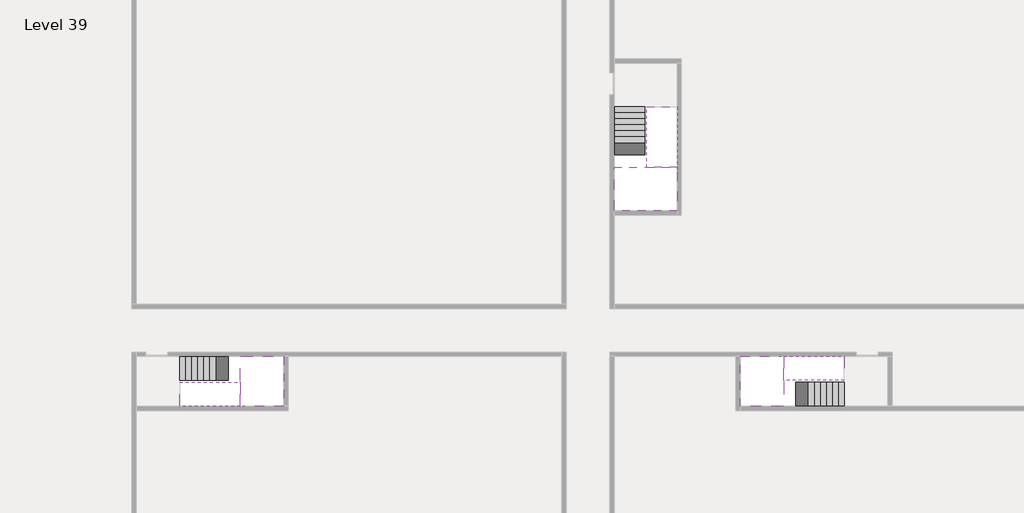
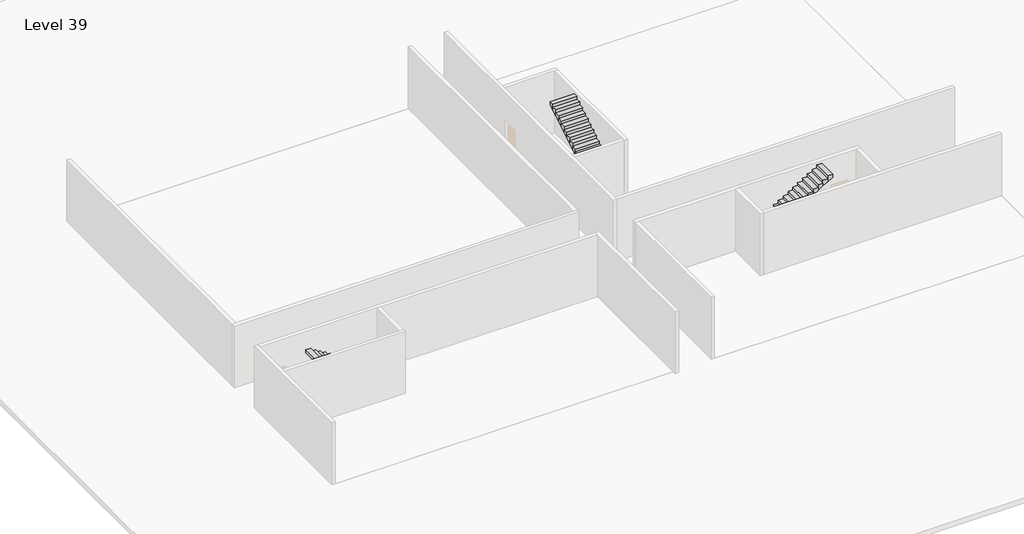
# One storey, part 2 of 2: 6 stair flights, 3 slabs.
"""IFC4 building model written with IfcOpenShell, lengths in millimetres."""

from ifc_helpers import new_model, si_unit, origin, place, context, project, spatial, faceted_brep, element, save

model = new_model("IFC4")

# Units and contexts
model_context = context("Model", 3, world=origin())
ifc_project = project(units=[si_unit("LENGTHUNIT", "METRE", prefix="MILLI")], contexts=[model_context])

# Site, building, storey
site = spatial("IfcSite", under=ifc_project)
building = spatial("IfcBuilding", under=site)
storey = spatial("IfcBuildingStorey", under=building, Name="Level 39", Elevation=144400.0)

# Slabs
placement = place(None, origin())
element("IfcSlab", 1, at=placement, inside=storey, context=model_context, shape_type="Brep", body=[
    faceted_brep([(8190.1058784, -42918.09644, 146300.0), (8190.1058784, -44018.09644, 146300.0), (8190.1058784, -44118.09644, 146300.0), (8190.1058784, -45218.09644, 146300.0), (8390.7194421, -45218.09644, 146300.0), (10190.1058784, -45218.09644, 146300.0), (10190.1058784, -42918.09644, 146300.0), (8269.4923146, -42918.09644, 146300.0), (8190.1058784, -42918.09644, 146127.2727273), (8190.1058784, -42918.09644, 145951.0278478), (8190.1058784, -44018.09644, 145951.0278478), (8190.1058784, -44018.09644, 146000.0), (8190.1058784, -44118.09644, 146000.0), (8190.1058784, -44118.09644, 146123.7551205), (8190.1058784, -45218.09644, 146123.7551205), (8390.7194421, -45218.09644, 146000.0), (10190.1058784, -45218.09644, 146000.0), (10190.1058784, -42918.09644, 146000.0), (8269.4923146, -42918.09644, 146000.0), (8390.7194421, -44118.09644, 146000.0), (8269.4923146, -44018.09644, 146000.0)], [[[0, 1, 2, 3, 4, 5, 6, 7]], [[1, 0, 8, 9, 10, 11]], [[2, 1, 11, 12, 13]], [[3, 2, 13, 14]], [[3, 14, 15, 16, 5, 4]], [[6, 5, 16, 17]], [[9, 8, 0, 7, 6, 17, 18]], [[19, 12, 11, 20, 18, 17, 16, 15]], [[12, 19, 13]], [[18, 20, 10, 9]], [[20, 11, 10]], [[19, 15, 14, 13]]]),
])
element("IfcSlab", 2, at=placement, inside=storey, context=model_context, shape_type="Brep", body=[
    faceted_brep([(33190.1058784, -45218.09644, 146300.0), (33190.1058784, -44118.09644, 146300.0), (33190.1058784, -44018.09644, 146300.0), (33190.1058784, -42918.09644, 146300.0), (32989.4923146, -42918.09644, 146300.0), (31190.1058784, -42918.09644, 146300.0), (31190.1058784, -45218.09644, 146300.0), (33110.7194421, -45218.09644, 146300.0), (33190.1058784, -45218.09644, 146127.2727273), (33190.1058784, -45218.09644, 145951.0278478), (33190.1058784, -44118.09644, 145951.0278478), (33190.1058784, -44118.09644, 146000.0), (33190.1058784, -44018.09644, 146000.0), (33190.1058784, -44018.09644, 146123.7551205), (33190.1058784, -42918.09644, 146123.7551205), (32989.4923146, -42918.09644, 146000.0), (31190.1058784, -42918.09644, 146000.0), (31190.1058784, -45218.09644, 146000.0), (33110.7194421, -45218.09644, 146000.0), (32989.4923146, -44018.09644, 146000.0), (33110.7194421, -44118.09644, 146000.0)], [[[0, 1, 2, 3, 4, 5, 6, 7]], [[1, 0, 8, 9, 10, 11]], [[2, 1, 11, 12, 13]], [[3, 2, 13, 14]], [[3, 14, 15, 16, 5, 4]], [[6, 5, 16, 17]], [[9, 8, 0, 7, 6, 17, 18]], [[19, 12, 11, 20, 18, 17, 16, 15]], [[12, 19, 13]], [[18, 20, 10, 9]], [[20, 11, 10]], [[19, 15, 14, 13]]]),
])
element("IfcSlab", 3, at=placement, inside=storey, context=model_context, shape_type="Brep", body=[
    faceted_brep([(26790.1058784, -34218.09644, 146300.0), (25390.1058784, -34218.09644, 146300.0), (25390.1058784, -34297.4828763, 146300.0), (25390.1058784, -36218.09644, 146300.0), (28290.1058784, -36218.09644, 146300.0), (28290.1058784, -34418.7100038, 146300.0), (28290.1058784, -34218.09644, 146300.0), (26890.1058784, -34218.09644, 146300.0), (26790.1058784, -34218.09644, 146000.0), (26790.1058784, -34218.09644, 145951.0278478), (25390.1058784, -34218.09644, 145951.0278478), (25390.1058784, -34218.09644, 146127.2727273), (25390.1058784, -34297.4828763, 146000.0), (25390.1058784, -36218.09644, 146000.0), (28290.1058784, -36218.09644, 146000.0), (28290.1058784, -34418.7100038, 146000.0), (28290.1058784, -34218.09644, 146123.7551205), (26890.1058784, -34218.09644, 146123.7551205), (26890.1058784, -34218.09644, 146000.0), (26890.1058784, -34418.7100038, 146000.0), (26790.1058784, -34297.4828763, 146000.0)], [[[0, 1, 2, 3, 4, 5, 6, 7]], [[1, 0, 8, 9, 10, 11]], [[1, 11, 10, 12, 13, 3, 2]], [[4, 3, 13, 14]], [[4, 14, 15, 16, 6, 5]], [[7, 6, 16, 17]], [[0, 7, 17, 18, 8]], [[18, 19, 15, 14, 13, 12, 20, 8]], [[19, 18, 17]], [[20, 12, 10, 9]], [[8, 20, 9]], [[15, 19, 17, 16]]]),
])

# Stair flights
element("IfcStairFlight", 4, at=placement, inside=storey, context=model_context, shape_type="Brep", body=[
    faceted_brep([(5670.1058784, -42918.09644, 144572.7272727), (5390.1058784, -42918.09644, 144572.7272727), (5390.1058784, -44018.09644, 144572.7272727), (5670.1058784, -44018.09644, 144572.7272727), (5670.1058784, -42918.09644, 144400.0), (5390.1058784, -42918.09644, 144400.0), (5390.1058784, -44018.09644, 144400.0), (5670.1058784, -44018.09644, 144400.0), (5950.1058784, -42918.09644, 144745.4545455), (5670.1058784, -42918.09644, 144745.4545455), (5670.1058784, -44018.09644, 144745.4545455), (5950.1058784, -44018.09644, 144745.4545455), (5950.1058784, -42918.09644, 144569.209666), (5675.8081041, -42918.09644, 144400.0), (5675.8081041, -44018.09644, 144400.0), (5950.1058784, -44018.09644, 144569.209666), (6230.1058784, -42918.09644, 144918.1818182), (5950.1058784, -42918.09644, 144918.1818182), (5950.1058784, -44018.09644, 144918.1818182), (6230.1058784, -44018.09644, 144918.1818182), (6230.1058784, -42918.09644, 144741.9369387), (6230.1058784, -44018.09644, 144741.9369387), (6510.1058784, -42918.09644, 145090.9090909), (6230.1058784, -42918.09644, 145090.9090909), (6230.1058784, -44018.09644, 145090.9090909), (6510.1058784, -44018.09644, 145090.9090909), (6510.1058784, -42918.09644, 144914.6642114), (6510.1058784, -44018.09644, 144914.6642114), (6790.1058784, -42918.09644, 145263.6363636), (6510.1058784, -42918.09644, 145263.6363636), (6510.1058784, -44018.09644, 145263.6363636), (6790.1058784, -44018.09644, 145263.6363636), (6790.1058784, -42918.09644, 145087.3914841), (6790.1058784, -44018.09644, 145087.3914841), (7070.1058784, -42918.09644, 145436.3636364), (6790.1058784, -42918.09644, 145436.3636364), (6790.1058784, -44018.09644, 145436.3636364), (7070.1058784, -44018.09644, 145436.3636364), (7070.1058784, -42918.09644, 145260.1187569), (7070.1058784, -44018.09644, 145260.1187569), (7350.1058784, -42918.09644, 145609.0909091), (7070.1058784, -42918.09644, 145609.0909091), (7070.1058784, -44018.09644, 145609.0909091), (7350.1058784, -44018.09644, 145609.0909091), (7350.1058784, -42918.09644, 145432.8460296), (7350.1058784, -44018.09644, 145432.8460296), (7630.1058784, -42918.09644, 145781.8181818), (7350.1058784, -42918.09644, 145781.8181818), (7350.1058784, -44018.09644, 145781.8181818), (7630.1058784, -44018.09644, 145781.8181818), (7630.1058784, -42918.09644, 145605.5733023), (7630.1058784, -44018.09644, 145605.5733023), (7910.1058784, -42918.09644, 145954.5454545), (7630.1058784, -42918.09644, 145954.5454545), (7630.1058784, -44018.09644, 145954.5454545), (7910.1058784, -44018.09644, 145954.5454545), (7910.1058784, -42918.09644, 145778.3005751), (7910.1058784, -44018.09644, 145778.3005751), (8190.1058784, -42918.09644, 146127.2727273), (7910.1058784, -42918.09644, 146127.2727273), (7910.1058784, -44018.09644, 146127.2727273), (8190.1058784, -44018.09644, 146127.2727273), (8190.1058784, -42918.09644, 145951.0278478), (8190.1058784, -44018.09644, 145951.0278478), (8190.1058784, -44018.09644, 146000.0)], [[[0, 1, 2, 3]], [[1, 0, 4, 5]], [[2, 1, 5, 6]], [[3, 2, 6, 7]], [[8, 9, 10, 11]], [[4, 0, 9, 8, 12, 13]], [[0, 3, 10, 9]], [[3, 7, 14, 15, 11, 10]], [[16, 17, 18, 19]], [[17, 16, 20, 12, 8]], [[8, 11, 18, 17]], [[19, 18, 11, 15, 21]], [[22, 23, 24, 25]], [[23, 22, 26, 20, 16]], [[16, 19, 24, 23]], [[25, 24, 19, 21, 27]], [[28, 29, 30, 31]], [[29, 28, 32, 26, 22]], [[22, 25, 30, 29]], [[31, 30, 25, 27, 33]], [[34, 35, 36, 37]], [[35, 34, 38, 32, 28]], [[28, 31, 36, 35]], [[37, 36, 31, 33, 39]], [[40, 41, 42, 43]], [[41, 40, 44, 38, 34]], [[34, 37, 42, 41]], [[43, 42, 37, 39, 45]], [[46, 47, 48, 49]], [[47, 46, 50, 44, 40]], [[40, 43, 48, 47]], [[49, 48, 43, 45, 51]], [[52, 53, 54, 55]], [[53, 52, 56, 50, 46]], [[46, 49, 54, 53]], [[55, 54, 49, 51, 57]], [[58, 59, 60, 61]], [[59, 58, 62, 56, 52]], [[52, 55, 60, 59]], [[61, 60, 55, 57, 63, 64]], [[58, 61, 64, 63, 62]], [[5, 4, 13, 14, 7, 6]], [[14, 13, 12, 20, 26, 32, 38, 44, 50, 56, 62, 63, 57, 51, 45, 39, 33, 27, 21, 15]]]),
])
element("IfcStairFlight", 5, at=placement, inside=storey, context=model_context, shape_type="Brep", body=[
    faceted_brep([(7910.1058784, -45218.09644, 146472.7272727), (8190.1058784, -45218.09644, 146472.7272727), (8190.1058784, -44118.09644, 146472.7272727), (7910.1058784, -44118.09644, 146472.7272727), (7910.1058784, -45218.09644, 146296.4823932), (8190.1058784, -45218.09644, 146123.7551205), (8190.1058784, -45218.09644, 146300.0), (8190.1058784, -44118.09644, 146123.7551205), (7910.1058784, -44118.09644, 146296.4823932), (7630.1058784, -45218.09644, 146645.4545455), (7910.1058784, -45218.09644, 146645.4545455), (7910.1058784, -44118.09644, 146645.4545455), (7630.1058784, -44118.09644, 146645.4545455), (7630.1058784, -45218.09644, 146469.209666), (7630.1058784, -44118.09644, 146469.209666), (7350.1058784, -45218.09644, 146818.1818182), (7630.1058784, -45218.09644, 146818.1818182), (7630.1058784, -44118.09644, 146818.1818182), (7350.1058784, -44118.09644, 146818.1818182), (7350.1058784, -45218.09644, 146641.9369387), (7350.1058784, -44118.09644, 146641.9369387), (7070.1058784, -45218.09644, 146990.9090909), (7350.1058784, -45218.09644, 146990.9090909), (7350.1058784, -44118.09644, 146990.9090909), (7070.1058784, -44118.09644, 146990.9090909), (7070.1058784, -45218.09644, 146814.6642114), (7070.1058784, -44118.09644, 146814.6642114), (6790.1058784, -45218.09644, 147163.6363636), (7070.1058784, -45218.09644, 147163.6363636), (7070.1058784, -44118.09644, 147163.6363636), (6790.1058784, -44118.09644, 147163.6363636), (6790.1058784, -45218.09644, 146987.3914841), (6790.1058784, -44118.09644, 146987.3914841), (6510.1058784, -45218.09644, 147336.3636364), (6790.1058784, -45218.09644, 147336.3636364), (6790.1058784, -44118.09644, 147336.3636364), (6510.1058784, -44118.09644, 147336.3636364), (6510.1058784, -45218.09644, 147160.1187569), (6510.1058784, -44118.09644, 147160.1187569), (6230.1058784, -45218.09644, 147509.0909091), (6510.1058784, -45218.09644, 147509.0909091), (6510.1058784, -44118.09644, 147509.0909091), (6230.1058784, -44118.09644, 147509.0909091), (6230.1058784, -45218.09644, 147332.8460296), (6230.1058784, -44118.09644, 147332.8460296), (5950.1058784, -45218.09644, 147681.8181818), (6230.1058784, -45218.09644, 147681.8181818), (6230.1058784, -44118.09644, 147681.8181818), (5950.1058784, -44118.09644, 147681.8181818), (5950.1058784, -45218.09644, 147505.5733023), (5950.1058784, -44118.09644, 147505.5733023), (5670.1058784, -45218.09644, 147854.5454545), (5950.1058784, -45218.09644, 147854.5454545), (5950.1058784, -44118.09644, 147854.5454545), (5670.1058784, -44118.09644, 147854.5454545), (5670.1058784, -45218.09644, 147678.3005751), (5670.1058784, -44118.09644, 147678.3005751), (5390.1058784, -45218.09644, 148027.2727273), (5670.1058784, -45218.09644, 148027.2727273), (5670.1058784, -44118.09644, 148027.2727273), (5390.1058784, -44118.09644, 148027.2727273), (5390.1058784, -45218.09644, 147851.0278478), (5390.1058784, -44118.09644, 147851.0278478)], [[[0, 1, 2, 3]], [[1, 0, 4, 5, 6]], [[2, 1, 6, 5, 7]], [[3, 2, 7, 8]], [[9, 10, 11, 12]], [[10, 9, 13, 4, 0]], [[11, 10, 0, 3]], [[12, 11, 3, 8, 14]], [[15, 16, 17, 18]], [[16, 15, 19, 13, 9]], [[17, 16, 9, 12]], [[18, 17, 12, 14, 20]], [[21, 22, 23, 24]], [[22, 21, 25, 19, 15]], [[23, 22, 15, 18]], [[24, 23, 18, 20, 26]], [[27, 28, 29, 30]], [[28, 27, 31, 25, 21]], [[29, 28, 21, 24]], [[30, 29, 24, 26, 32]], [[33, 34, 35, 36]], [[34, 33, 37, 31, 27]], [[35, 34, 27, 30]], [[36, 35, 30, 32, 38]], [[39, 40, 41, 42]], [[40, 39, 43, 37, 33]], [[41, 40, 33, 36]], [[42, 41, 36, 38, 44]], [[45, 46, 47, 48]], [[46, 45, 49, 43, 39]], [[47, 46, 39, 42]], [[48, 47, 42, 44, 50]], [[51, 52, 53, 54]], [[52, 51, 55, 49, 45]], [[53, 52, 45, 48]], [[54, 53, 48, 50, 56]], [[57, 58, 59, 60]], [[58, 57, 61, 55, 51]], [[59, 58, 51, 54]], [[60, 59, 54, 56, 62]], [[57, 60, 62, 61]], [[5, 4, 13, 19, 25, 31, 37, 43, 49, 55, 61, 62, 56, 50, 44, 38, 32, 26, 20, 14, 8, 7]]]),
])
element("IfcStairFlight", 6, at=placement, inside=storey, context=model_context, shape_type="Brep", body=[
    faceted_brep([(35710.1058784, -45218.09644, 144572.7272727), (35990.1058784, -45218.09644, 144572.7272727), (35990.1058784, -44118.09644, 144572.7272727), (35710.1058784, -44118.09644, 144572.7272727), (35710.1058784, -45218.09644, 144400.0), (35990.1058784, -45218.09644, 144400.0), (35990.1058784, -44118.09644, 144400.0), (35710.1058784, -44118.09644, 144400.0), (35430.1058784, -45218.09644, 144745.4545455), (35710.1058784, -45218.09644, 144745.4545455), (35710.1058784, -44118.09644, 144745.4545455), (35430.1058784, -44118.09644, 144745.4545455), (35430.1058784, -45218.09644, 144569.209666), (35704.4036527, -45218.09644, 144400.0), (35704.4036527, -44118.09644, 144400.0), (35430.1058784, -44118.09644, 144569.209666), (35150.1058784, -45218.09644, 144918.1818182), (35430.1058784, -45218.09644, 144918.1818182), (35430.1058784, -44118.09644, 144918.1818182), (35150.1058784, -44118.09644, 144918.1818182), (35150.1058784, -45218.09644, 144741.9369387), (35150.1058784, -44118.09644, 144741.9369387), (34870.1058784, -45218.09644, 145090.9090909), (35150.1058784, -45218.09644, 145090.9090909), (35150.1058784, -44118.09644, 145090.9090909), (34870.1058784, -44118.09644, 145090.9090909), (34870.1058784, -45218.09644, 144914.6642114), (34870.1058784, -44118.09644, 144914.6642114), (34590.1058784, -45218.09644, 145263.6363636), (34870.1058784, -45218.09644, 145263.6363636), (34870.1058784, -44118.09644, 145263.6363636), (34590.1058784, -44118.09644, 145263.6363636), (34590.1058784, -45218.09644, 145087.3914841), (34590.1058784, -44118.09644, 145087.3914841), (34310.1058784, -45218.09644, 145436.3636364), (34590.1058784, -45218.09644, 145436.3636364), (34590.1058784, -44118.09644, 145436.3636364), (34310.1058784, -44118.09644, 145436.3636364), (34310.1058784, -45218.09644, 145260.1187569), (34310.1058784, -44118.09644, 145260.1187569), (34030.1058784, -45218.09644, 145609.0909091), (34310.1058784, -45218.09644, 145609.0909091), (34310.1058784, -44118.09644, 145609.0909091), (34030.1058784, -44118.09644, 145609.0909091), (34030.1058784, -45218.09644, 145432.8460296), (34030.1058784, -44118.09644, 145432.8460296), (33750.1058784, -45218.09644, 145781.8181818), (34030.1058784, -45218.09644, 145781.8181818), (34030.1058784, -44118.09644, 145781.8181818), (33750.1058784, -44118.09644, 145781.8181818), (33750.1058784, -45218.09644, 145605.5733023), (33750.1058784, -44118.09644, 145605.5733023), (33470.1058784, -45218.09644, 145954.5454545), (33750.1058784, -45218.09644, 145954.5454545), (33750.1058784, -44118.09644, 145954.5454545), (33470.1058784, -44118.09644, 145954.5454545), (33470.1058784, -45218.09644, 145778.3005751), (33470.1058784, -44118.09644, 145778.3005751), (33190.1058784, -45218.09644, 146127.2727273), (33470.1058784, -45218.09644, 146127.2727273), (33470.1058784, -44118.09644, 146127.2727273), (33190.1058784, -44118.09644, 146127.2727273), (33190.1058784, -45218.09644, 145951.0278478), (33190.1058784, -44118.09644, 145951.0278478), (33190.1058784, -44118.09644, 146000.0)], [[[0, 1, 2, 3]], [[1, 0, 4, 5]], [[2, 1, 5, 6]], [[3, 2, 6, 7]], [[8, 9, 10, 11]], [[4, 0, 9, 8, 12, 13]], [[0, 3, 10, 9]], [[3, 7, 14, 15, 11, 10]], [[16, 17, 18, 19]], [[17, 16, 20, 12, 8]], [[8, 11, 18, 17]], [[19, 18, 11, 15, 21]], [[22, 23, 24, 25]], [[23, 22, 26, 20, 16]], [[16, 19, 24, 23]], [[25, 24, 19, 21, 27]], [[28, 29, 30, 31]], [[29, 28, 32, 26, 22]], [[22, 25, 30, 29]], [[31, 30, 25, 27, 33]], [[34, 35, 36, 37]], [[35, 34, 38, 32, 28]], [[28, 31, 36, 35]], [[37, 36, 31, 33, 39]], [[40, 41, 42, 43]], [[41, 40, 44, 38, 34]], [[34, 37, 42, 41]], [[43, 42, 37, 39, 45]], [[46, 47, 48, 49]], [[47, 46, 50, 44, 40]], [[40, 43, 48, 47]], [[49, 48, 43, 45, 51]], [[52, 53, 54, 55]], [[53, 52, 56, 50, 46]], [[46, 49, 54, 53]], [[55, 54, 49, 51, 57]], [[58, 59, 60, 61]], [[59, 58, 62, 56, 52]], [[52, 55, 60, 59]], [[61, 60, 55, 57, 63, 64]], [[58, 61, 64, 63, 62]], [[5, 4, 13, 14, 7, 6]], [[14, 13, 12, 20, 26, 32, 38, 44, 50, 56, 62, 63, 57, 51, 45, 39, 33, 27, 21, 15]]]),
])
element("IfcStairFlight", 7, at=placement, inside=storey, context=model_context, shape_type="Brep", body=[
    faceted_brep([(33470.1058784, -42918.09644, 146472.7272727), (33190.1058784, -42918.09644, 146472.7272727), (33190.1058784, -44018.09644, 146472.7272727), (33470.1058784, -44018.09644, 146472.7272727), (33470.1058784, -42918.09644, 146296.4823932), (33190.1058784, -42918.09644, 146123.7551205), (33190.1058784, -42918.09644, 146300.0), (33190.1058784, -44018.09644, 146123.7551205), (33470.1058784, -44018.09644, 146296.4823932), (33750.1058784, -42918.09644, 146645.4545455), (33470.1058784, -42918.09644, 146645.4545455), (33470.1058784, -44018.09644, 146645.4545455), (33750.1058784, -44018.09644, 146645.4545455), (33750.1058784, -42918.09644, 146469.209666), (33750.1058784, -44018.09644, 146469.209666), (34030.1058784, -42918.09644, 146818.1818182), (33750.1058784, -42918.09644, 146818.1818182), (33750.1058784, -44018.09644, 146818.1818182), (34030.1058784, -44018.09644, 146818.1818182), (34030.1058784, -42918.09644, 146641.9369387), (34030.1058784, -44018.09644, 146641.9369387), (34310.1058784, -42918.09644, 146990.9090909), (34030.1058784, -42918.09644, 146990.9090909), (34030.1058784, -44018.09644, 146990.9090909), (34310.1058784, -44018.09644, 146990.9090909), (34310.1058784, -42918.09644, 146814.6642114), (34310.1058784, -44018.09644, 146814.6642114), (34590.1058784, -42918.09644, 147163.6363636), (34310.1058784, -42918.09644, 147163.6363636), (34310.1058784, -44018.09644, 147163.6363636), (34590.1058784, -44018.09644, 147163.6363636), (34590.1058784, -42918.09644, 146987.3914841), (34590.1058784, -44018.09644, 146987.3914841), (34870.1058784, -42918.09644, 147336.3636364), (34590.1058784, -42918.09644, 147336.3636364), (34590.1058784, -44018.09644, 147336.3636364), (34870.1058784, -44018.09644, 147336.3636364), (34870.1058784, -42918.09644, 147160.1187569), (34870.1058784, -44018.09644, 147160.1187569), (35150.1058784, -42918.09644, 147509.0909091), (34870.1058784, -42918.09644, 147509.0909091), (34870.1058784, -44018.09644, 147509.0909091), (35150.1058784, -44018.09644, 147509.0909091), (35150.1058784, -42918.09644, 147332.8460296), (35150.1058784, -44018.09644, 147332.8460296), (35430.1058784, -42918.09644, 147681.8181818), (35150.1058784, -42918.09644, 147681.8181818), (35150.1058784, -44018.09644, 147681.8181818), (35430.1058784, -44018.09644, 147681.8181818), (35430.1058784, -42918.09644, 147505.5733023), (35430.1058784, -44018.09644, 147505.5733023), (35710.1058784, -42918.09644, 147854.5454545), (35430.1058784, -42918.09644, 147854.5454545), (35430.1058784, -44018.09644, 147854.5454545), (35710.1058784, -44018.09644, 147854.5454545), (35710.1058784, -42918.09644, 147678.3005751), (35710.1058784, -44018.09644, 147678.3005751), (35990.1058784, -42918.09644, 148027.2727273), (35710.1058784, -42918.09644, 148027.2727273), (35710.1058784, -44018.09644, 148027.2727273), (35990.1058784, -44018.09644, 148027.2727273), (35990.1058784, -42918.09644, 147851.0278478), (35990.1058784, -44018.09644, 147851.0278478)], [[[0, 1, 2, 3]], [[1, 0, 4, 5, 6]], [[2, 1, 6, 5, 7]], [[3, 2, 7, 8]], [[9, 10, 11, 12]], [[10, 9, 13, 4, 0]], [[11, 10, 0, 3]], [[12, 11, 3, 8, 14]], [[15, 16, 17, 18]], [[16, 15, 19, 13, 9]], [[17, 16, 9, 12]], [[18, 17, 12, 14, 20]], [[21, 22, 23, 24]], [[22, 21, 25, 19, 15]], [[23, 22, 15, 18]], [[24, 23, 18, 20, 26]], [[27, 28, 29, 30]], [[28, 27, 31, 25, 21]], [[29, 28, 21, 24]], [[30, 29, 24, 26, 32]], [[33, 34, 35, 36]], [[34, 33, 37, 31, 27]], [[35, 34, 27, 30]], [[36, 35, 30, 32, 38]], [[39, 40, 41, 42]], [[40, 39, 43, 37, 33]], [[41, 40, 33, 36]], [[42, 41, 36, 38, 44]], [[45, 46, 47, 48]], [[46, 45, 49, 43, 39]], [[47, 46, 39, 42]], [[48, 47, 42, 44, 50]], [[51, 52, 53, 54]], [[52, 51, 55, 49, 45]], [[53, 52, 45, 48]], [[54, 53, 48, 50, 56]], [[57, 58, 59, 60]], [[58, 57, 61, 55, 51]], [[59, 58, 51, 54]], [[60, 59, 54, 56, 62]], [[57, 60, 62, 61]], [[5, 4, 13, 19, 25, 31, 37, 43, 49, 55, 61, 62, 56, 50, 44, 38, 32, 26, 20, 14, 8, 7]]]),
])
element("IfcStairFlight", 8, at=placement, inside=storey, context=model_context, shape_type="Brep", body=[
    faceted_brep([(26790.1058784, -31698.09644, 144572.7272727), (26790.1058784, -31418.09644, 144572.7272727), (25390.1058784, -31418.09644, 144572.7272727), (25390.1058784, -31698.09644, 144572.7272727), (26790.1058784, -31698.09644, 144400.0), (26790.1058784, -31418.09644, 144400.0), (25390.1058784, -31418.09644, 144400.0), (25390.1058784, -31698.09644, 144400.0), (26790.1058784, -31978.09644, 144745.4545455), (26790.1058784, -31698.09644, 144745.4545455), (25390.1058784, -31698.09644, 144745.4545455), (25390.1058784, -31978.09644, 144745.4545455), (26790.1058784, -31978.09644, 144569.209666), (26790.1058784, -31703.7986657, 144400.0), (25390.1058784, -31703.7986657, 144400.0), (25390.1058784, -31978.09644, 144569.209666), (26790.1058784, -32258.09644, 144918.1818182), (26790.1058784, -31978.09644, 144918.1818182), (25390.1058784, -31978.09644, 144918.1818182), (25390.1058784, -32258.09644, 144918.1818182), (26790.1058784, -32258.09644, 144741.9369387), (25390.1058784, -32258.09644, 144741.9369387), (26790.1058784, -32538.09644, 145090.9090909), (26790.1058784, -32258.09644, 145090.9090909), (25390.1058784, -32258.09644, 145090.9090909), (25390.1058784, -32538.09644, 145090.9090909), (26790.1058784, -32538.09644, 144914.6642114), (25390.1058784, -32538.09644, 144914.6642114), (26790.1058784, -32818.09644, 145263.6363636), (26790.1058784, -32538.09644, 145263.6363636), (25390.1058784, -32538.09644, 145263.6363636), (25390.1058784, -32818.09644, 145263.6363636), (26790.1058784, -32818.09644, 145087.3914841), (25390.1058784, -32818.09644, 145087.3914841), (26790.1058784, -33098.09644, 145436.3636364), (26790.1058784, -32818.09644, 145436.3636364), (25390.1058784, -32818.09644, 145436.3636364), (25390.1058784, -33098.09644, 145436.3636364), (26790.1058784, -33098.09644, 145260.1187569), (25390.1058784, -33098.09644, 145260.1187569), (26790.1058784, -33378.09644, 145609.0909091), (26790.1058784, -33098.09644, 145609.0909091), (25390.1058784, -33098.09644, 145609.0909091), (25390.1058784, -33378.09644, 145609.0909091), (26790.1058784, -33378.09644, 145432.8460296), (25390.1058784, -33378.09644, 145432.8460296), (26790.1058784, -33658.09644, 145781.8181818), (26790.1058784, -33378.09644, 145781.8181818), (25390.1058784, -33378.09644, 145781.8181818), (25390.1058784, -33658.09644, 145781.8181818), (26790.1058784, -33658.09644, 145605.5733023), (25390.1058784, -33658.09644, 145605.5733023), (26790.1058784, -33938.09644, 145954.5454545), (26790.1058784, -33658.09644, 145954.5454545), (25390.1058784, -33658.09644, 145954.5454545), (25390.1058784, -33938.09644, 145954.5454545), (26790.1058784, -33938.09644, 145778.3005751), (25390.1058784, -33938.09644, 145778.3005751), (26790.1058784, -34218.09644, 146127.2727273), (26790.1058784, -33938.09644, 146127.2727273), (25390.1058784, -33938.09644, 146127.2727273), (25390.1058784, -34218.09644, 146127.2727273), (26790.1058784, -34218.09644, 146000.0), (26790.1058784, -34218.09644, 145951.0278478), (25390.1058784, -34218.09644, 145951.0278478)], [[[0, 1, 2, 3]], [[1, 0, 4, 5]], [[2, 1, 5, 6]], [[3, 2, 6, 7]], [[8, 9, 10, 11]], [[4, 0, 9, 8, 12, 13]], [[0, 3, 10, 9]], [[3, 7, 14, 15, 11, 10]], [[16, 17, 18, 19]], [[17, 16, 20, 12, 8]], [[8, 11, 18, 17]], [[19, 18, 11, 15, 21]], [[22, 23, 24, 25]], [[23, 22, 26, 20, 16]], [[16, 19, 24, 23]], [[25, 24, 19, 21, 27]], [[28, 29, 30, 31]], [[29, 28, 32, 26, 22]], [[22, 25, 30, 29]], [[31, 30, 25, 27, 33]], [[34, 35, 36, 37]], [[35, 34, 38, 32, 28]], [[28, 31, 36, 35]], [[37, 36, 31, 33, 39]], [[40, 41, 42, 43]], [[41, 40, 44, 38, 34]], [[34, 37, 42, 41]], [[43, 42, 37, 39, 45]], [[46, 47, 48, 49]], [[47, 46, 50, 44, 40]], [[40, 43, 48, 47]], [[49, 48, 43, 45, 51]], [[52, 53, 54, 55]], [[53, 52, 56, 50, 46]], [[46, 49, 54, 53]], [[55, 54, 49, 51, 57]], [[58, 59, 60, 61]], [[59, 58, 62, 63, 56, 52]], [[52, 55, 60, 59]], [[61, 60, 55, 57, 64]], [[58, 61, 64, 63, 62]], [[5, 4, 13, 14, 7, 6]], [[14, 13, 12, 20, 26, 32, 38, 44, 50, 56, 63, 64, 57, 51, 45, 39, 33, 27, 21, 15]]]),
])
element("IfcStairFlight", 9, at=placement, inside=storey, context=model_context, shape_type="Brep", body=[
    faceted_brep([(26890.1058784, -33938.09644, 146472.7272727), (26890.1058784, -34218.09644, 146472.7272727), (28290.1058784, -34218.09644, 146472.7272727), (28290.1058784, -33938.09644, 146472.7272727), (26890.1058784, -33938.09644, 146296.4823932), (26890.1058784, -34218.09644, 146123.7551205), (28290.1058784, -34218.09644, 146123.7551205), (28290.1058784, -34218.09644, 146300.0), (28290.1058784, -33938.09644, 146296.4823932), (26890.1058784, -33658.09644, 146645.4545455), (26890.1058784, -33938.09644, 146645.4545455), (28290.1058784, -33938.09644, 146645.4545455), (28290.1058784, -33658.09644, 146645.4545455), (26890.1058784, -33658.09644, 146469.209666), (28290.1058784, -33658.09644, 146469.209666), (26890.1058784, -33378.09644, 146818.1818182), (26890.1058784, -33658.09644, 146818.1818182), (28290.1058784, -33658.09644, 146818.1818182), (28290.1058784, -33378.09644, 146818.1818182), (26890.1058784, -33378.09644, 146641.9369387), (28290.1058784, -33378.09644, 146641.9369387), (26890.1058784, -33098.09644, 146990.9090909), (26890.1058784, -33378.09644, 146990.9090909), (28290.1058784, -33378.09644, 146990.9090909), (28290.1058784, -33098.09644, 146990.9090909), (26890.1058784, -33098.09644, 146814.6642114), (28290.1058784, -33098.09644, 146814.6642114), (26890.1058784, -32818.09644, 147163.6363636), (26890.1058784, -33098.09644, 147163.6363636), (28290.1058784, -33098.09644, 147163.6363636), (28290.1058784, -32818.09644, 147163.6363636), (26890.1058784, -32818.09644, 146987.3914841), (28290.1058784, -32818.09644, 146987.3914841), (26890.1058784, -32538.09644, 147336.3636364), (26890.1058784, -32818.09644, 147336.3636364), (28290.1058784, -32818.09644, 147336.3636364), (28290.1058784, -32538.09644, 147336.3636364), (26890.1058784, -32538.09644, 147160.1187569), (28290.1058784, -32538.09644, 147160.1187569), (26890.1058784, -32258.09644, 147509.0909091), (26890.1058784, -32538.09644, 147509.0909091), (28290.1058784, -32538.09644, 147509.0909091), (28290.1058784, -32258.09644, 147509.0909091), (26890.1058784, -32258.09644, 147332.8460296), (28290.1058784, -32258.09644, 147332.8460296), (26890.1058784, -31978.09644, 147681.8181818), (26890.1058784, -32258.09644, 147681.8181818), (28290.1058784, -32258.09644, 147681.8181818), (28290.1058784, -31978.09644, 147681.8181818), (26890.1058784, -31978.09644, 147505.5733023), (28290.1058784, -31978.09644, 147505.5733023), (26890.1058784, -31698.09644, 147854.5454545), (26890.1058784, -31978.09644, 147854.5454545), (28290.1058784, -31978.09644, 147854.5454545), (28290.1058784, -31698.09644, 147854.5454545), (26890.1058784, -31698.09644, 147678.3005751), (28290.1058784, -31698.09644, 147678.3005751), (26890.1058784, -31418.09644, 148027.2727273), (26890.1058784, -31698.09644, 148027.2727273), (28290.1058784, -31698.09644, 148027.2727273), (28290.1058784, -31418.09644, 148027.2727273), (26890.1058784, -31418.09644, 147851.0278478), (28290.1058784, -31418.09644, 147851.0278478)], [[[0, 1, 2, 3]], [[1, 0, 4, 5]], [[2, 1, 5, 6, 7]], [[3, 2, 7, 6, 8]], [[9, 10, 11, 12]], [[10, 9, 13, 4, 0]], [[11, 10, 0, 3]], [[12, 11, 3, 8, 14]], [[15, 16, 17, 18]], [[16, 15, 19, 13, 9]], [[17, 16, 9, 12]], [[18, 17, 12, 14, 20]], [[21, 22, 23, 24]], [[22, 21, 25, 19, 15]], [[23, 22, 15, 18]], [[24, 23, 18, 20, 26]], [[27, 28, 29, 30]], [[28, 27, 31, 25, 21]], [[29, 28, 21, 24]], [[30, 29, 24, 26, 32]], [[33, 34, 35, 36]], [[34, 33, 37, 31, 27]], [[35, 34, 27, 30]], [[36, 35, 30, 32, 38]], [[39, 40, 41, 42]], [[40, 39, 43, 37, 33]], [[41, 40, 33, 36]], [[42, 41, 36, 38, 44]], [[45, 46, 47, 48]], [[46, 45, 49, 43, 39]], [[47, 46, 39, 42]], [[48, 47, 42, 44, 50]], [[51, 52, 53, 54]], [[52, 51, 55, 49, 45]], [[53, 52, 45, 48]], [[54, 53, 48, 50, 56]], [[57, 58, 59, 60]], [[58, 57, 61, 55, 51]], [[59, 58, 51, 54]], [[60, 59, 54, 56, 62]], [[57, 60, 62, 61]], [[5, 4, 13, 19, 25, 31, 37, 43, 49, 55, 61, 62, 56, 50, 44, 38, 32, 26, 20, 14, 8, 6]]]),
])

save(model, "model.ifc")
